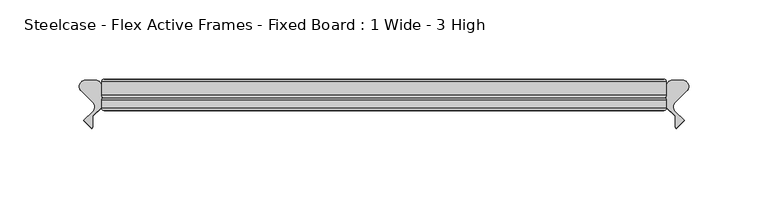
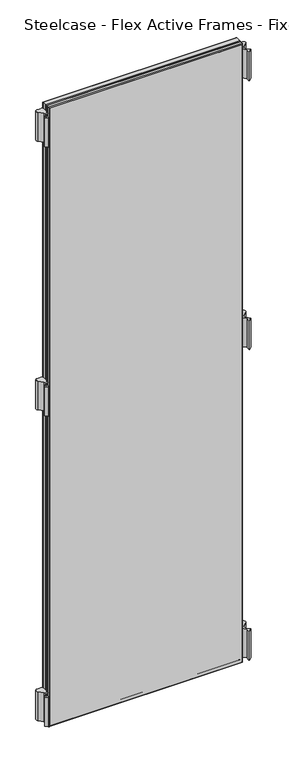
"""IFC4 building model written with IfcOpenShell, lengths in millimetres: furniture geometry, Steelcase - Flex Active Frames - Fixed Board : 1 Wide - 3 High."""

from ifc_helpers import new_model, si_unit, point, frame, frame_2d, origin, place, context, project, spatial, polyline, circle_curve, ellipse_curve, trimmed, segment, composite_curve, outline, extrude, source, transform, mapped, element, save
from ifc_brep_helpers import plane_surface, cylinder_surface, advanced_brep


def steelcase_flex_active_frames_fixed_board_1_wide_3_high_3846b007(model_context):
    return source(origin(), model_context, "Body", "SolidModel", [
        extrude(outline(composite_curve([segment(polyline([(369.0031146, 12.5554375), (361.4668356, 5.0296817)]), True, "CONTINUOUS"), segment(trimmed(circle_curve(frame_2d((364.1590296, 2.3337233)), 3.81), [point((361.4668356, 5.0296817))], [point((361.4203075, -0.3149559))], True, "CARTESIAN"), True, "CONTINUOUS"), segment(polyline([(361.4203075, -0.3149559), (367.1573362, -6.2470172), (362.2035681, -11.2027231), (361.4976034, -10.299411), (361.4976034, -3.4250486), (355.9952443, 2.0686095), (355.9952443, 15.2513873)]), True, "CONTINUOUS"), segment(trimmed(circle_curve(frame_2d((359.8052443, 15.2513873)), 3.81), [point((355.9952443, 15.2513873))], [point((359.8052393, 19.0613873))], False, "CARTESIAN"), True, "CONTINUOUS"), segment(polyline([(359.8052393, 19.0613873), (366.3109156, 19.0613959)]), True, "CONTINUOUS"), segment(trimmed(circle_curve(frame_2d((366.3109206, 15.2513959)), 3.81), [point((366.3109156, 19.0613959))], [point((369.0031146, 12.5554375))], False, "CARTESIAN"), True, "CONTINUOUS")], self_intersect=False)), frame((0.0, 0.0, 611.4997871), z_axis=(0.0, 0.0, 1.0), x_axis=(1.0, 0.0, 0.0)), (0.0, 0.0, 1.0), 55.9983261),
        extrude(outline(composite_curve([segment(polyline([(369.0031146, 12.5554375), (361.4668356, 5.0296817)]), True, "CONTINUOUS"), segment(trimmed(circle_curve(frame_2d((364.1590296, 2.3337233)), 3.81), [point((361.4668356, 5.0296817))], [point((361.4203075, -0.3149559))], True, "CARTESIAN"), True, "CONTINUOUS"), segment(polyline([(361.4203075, -0.3149559), (367.1573362, -6.2470172), (362.2035681, -11.2027231), (361.4976034, -10.299411), (361.4976034, -3.4250486), (355.9952443, 2.0686095), (355.9952443, 15.2513873)]), True, "CONTINUOUS"), segment(trimmed(circle_curve(frame_2d((359.8052443, 15.2513873)), 3.81), [point((355.9952443, 15.2513873))], [point((359.8052393, 19.0613873))], False, "CARTESIAN"), True, "CONTINUOUS"), segment(polyline([(359.8052393, 19.0613873), (366.3109156, 19.0613959)]), True, "CONTINUOUS"), segment(trimmed(circle_curve(frame_2d((366.3109206, 15.2513959)), 3.81), [point((366.3109156, 19.0613959))], [point((369.0031146, 12.5554375))], False, "CARTESIAN"), True, "CONTINUOUS")], self_intersect=False)), frame((0.0, 0.0, 9.5000015), z_axis=(0.0, 0.0, 1.0), x_axis=(1.0, 0.0, 0.0)), (0.0, 0.0, 1.0), 55.9983261),
        extrude(outline(composite_curve([segment(polyline([(369.0031146, 12.5554375), (361.4668356, 5.0296817)]), True, "CONTINUOUS"), segment(trimmed(circle_curve(frame_2d((364.1590296, 2.3337233)), 3.81), [point((361.4668356, 5.0296817))], [point((361.4203075, -0.3149559))], True, "CARTESIAN"), True, "CONTINUOUS"), segment(polyline([(361.4203075, -0.3149559), (367.1573362, -6.2470172), (362.2035681, -11.2027231), (361.4976034, -10.299411), (361.4976034, -3.4250486), (355.9952443, 2.0686095), (355.9952443, 15.2513873)]), True, "CONTINUOUS"), segment(trimmed(circle_curve(frame_2d((359.8052443, 15.2513873)), 3.81), [point((355.9952443, 15.2513873))], [point((359.8052393, 19.0613873))], False, "CARTESIAN"), True, "CONTINUOUS"), segment(polyline([(359.8052393, 19.0613873), (366.3109156, 19.0613959)]), True, "CONTINUOUS"), segment(trimmed(circle_curve(frame_2d((366.3109206, 15.2513959)), 3.81), [point((366.3109156, 19.0613959))], [point((369.0031146, 12.5554375))], False, "CARTESIAN"), True, "CONTINUOUS")], self_intersect=False)), frame((0.0, 0.0, 1132.5016098), z_axis=(0.0, 0.0, 1.0), x_axis=(1.0, 0.0, 0.0)), (0.0, 0.0, 1.0), 55.9983261),
        extrude(outline(composite_curve([segment(trimmed(circle_curve(frame_2d((-10.3156763, 15.2513959)), 3.81), [point((-13.0078703, 12.5554375))], [point((-10.3156713, 19.0613959))], False, "CARTESIAN"), True, "CONTINUOUS"), segment(polyline([(-10.3156713, 19.0613959), (-3.809995, 19.0613873)]), True, "CONTINUOUS"), segment(trimmed(circle_curve(frame_2d((-3.81, 15.2513873)), 3.81), [point((-3.809995, 19.0613873))], [point((0.0, 15.2513873))], False, "CARTESIAN"), True, "CONTINUOUS"), segment(polyline([(0.0, 15.2513873), (0.0, 2.0686095), (-5.5023592, -3.4250486), (-5.5023592, -10.299411), (-6.2083238, -11.2027231), (-11.1620919, -6.2470172), (-5.4250632, -0.3149559)]), True, "CONTINUOUS"), segment(trimmed(circle_curve(frame_2d((-8.1637853, 2.3337233)), 3.81), [point((-5.4250632, -0.3149559))], [point((-5.4715914, 5.0296817))], True, "CARTESIAN"), True, "CONTINUOUS"), segment(polyline([(-5.4715914, 5.0296817), (-13.0078703, 12.5554375)]), True, "CONTINUOUS")], self_intersect=False)), frame((0.0, 0.0, 611.4997871), z_axis=(0.0, 0.0, 1.0), x_axis=(1.0, 0.0, 0.0)), (0.0, 0.0, 1.0), 55.9983261),
        extrude(outline(composite_curve([segment(trimmed(circle_curve(frame_2d((-10.3156763, 15.2513959)), 3.81), [point((-13.0078703, 12.5554375))], [point((-10.3156713, 19.0613959))], False, "CARTESIAN"), True, "CONTINUOUS"), segment(polyline([(-10.3156713, 19.0613959), (-3.809995, 19.0613873)]), True, "CONTINUOUS"), segment(trimmed(circle_curve(frame_2d((-3.81, 15.2513873)), 3.81), [point((-3.809995, 19.0613873))], [point((0.0, 15.2513873))], False, "CARTESIAN"), True, "CONTINUOUS"), segment(polyline([(0.0, 15.2513873), (0.0, 2.0686095), (-5.5023592, -3.4250486), (-5.5023592, -10.299411), (-6.2083238, -11.2027231), (-11.1620919, -6.2470172), (-5.4250632, -0.3149559)]), True, "CONTINUOUS"), segment(trimmed(circle_curve(frame_2d((-8.1637853, 2.3337233)), 3.81), [point((-5.4250632, -0.3149559))], [point((-5.4715914, 5.0296817))], True, "CARTESIAN"), True, "CONTINUOUS"), segment(polyline([(-5.4715914, 5.0296817), (-13.0078703, 12.5554375)]), True, "CONTINUOUS")], self_intersect=False)), frame((0.0, 0.0, 9.5000015), z_axis=(0.0, 0.0, 1.0), x_axis=(1.0, 0.0, 0.0)), (0.0, 0.0, 1.0), 55.9983261),
        extrude(outline(composite_curve([segment(trimmed(circle_curve(frame_2d((-10.3156763, 15.2513959)), 3.81), [point((-13.0078703, 12.5554375))], [point((-10.3156713, 19.0613959))], False, "CARTESIAN"), True, "CONTINUOUS"), segment(polyline([(-10.3156713, 19.0613959), (-3.809995, 19.0613873)]), True, "CONTINUOUS"), segment(trimmed(circle_curve(frame_2d((-3.81, 15.2513873)), 3.81), [point((-3.809995, 19.0613873))], [point((0.0, 15.2513873))], False, "CARTESIAN"), True, "CONTINUOUS"), segment(polyline([(0.0, 15.2513873), (0.0, 2.0686095), (-5.5023592, -3.4250486), (-5.5023592, -10.299411), (-6.2083238, -11.2027231), (-11.1620919, -6.2470172), (-5.4250632, -0.3149559)]), True, "CONTINUOUS"), segment(trimmed(circle_curve(frame_2d((-8.1637853, 2.3337233)), 3.81), [point((-5.4250632, -0.3149559))], [point((-5.4715914, 5.0296817))], True, "CARTESIAN"), True, "CONTINUOUS"), segment(polyline([(-5.4715914, 5.0296817), (-13.0078703, 12.5554375)]), True, "CONTINUOUS")], self_intersect=False)), frame((0.0, 0.0, 1132.5016098), z_axis=(0.0, 0.0, 1.0), x_axis=(1.0, 0.0, 0.0)), (0.0, 0.0, 1.0), 55.9983261),
        extrude(outline(polyline([(354.4952389, 19.7016999), (354.4952389, 8.0000171), (1.5000053, 8.0000171), (1.5000053, 19.7016999), (354.4952389, 19.7016999)])), frame((0.0, 0.0, 1.5000053), z_axis=(0.0, 0.0, 1.0), x_axis=(1.0, 0.0, 0.0)), (0.0, 0.0, 1.0), 1196.9999985),
        advanced_brep(
        [(0.0, 9.5000224, 1200.0000092), (0.0, 9.5000224, 0.0), (1.5000053, 8.0000171, 1.5000053), (1.5000053, 8.0000171, 1198.5000038), (0.0, 18.2016946, 1200.0000092), (0.0, 18.2016946, 0.0), (1.5000053, 19.7016999, 1.5000053), (1.5000053, 19.7016999, 1198.5000038), (355.9952443, 9.5000224, 0.0), (354.4952389, 8.0000171, 1.5000053), (355.9952443, 18.2016946, 0.0), (354.4952389, 19.7016999, 1.5000053), (355.9952443, 9.5000224, 1200.0000092), (354.4952389, 8.0000171, 1198.5000038), (355.9952443, 18.2016946, 1200.0000092), (354.4952389, 19.7016999, 1198.5000038)],
        [
            (0, 1),
            (1, 2, ellipse_curve(frame((1.5000053, 9.5000224, 1.5000053), z_axis=(-0.7071067811865475, 0.0, 0.7071067811865475), x_axis=(0.7071067811865474, 0.0, 0.7071067811865476)), 2.1213279, 1.5000053)),
            (2, 3),
            (3, 0, ellipse_curve(frame((1.5000053, 9.5000224, 1198.5000038), z_axis=(-0.7071067811865475, 0.0, -0.7071067811865475), x_axis=(-0.7071067811865474, 0.0, 0.7071067811865476)), 2.1213279, 1.5000053)),
            (4, 5),
            (5, 1),
            (0, 4),
            (2, 6),
            (6, 7),
            (7, 3),
            (1, 8),
            (8, 9, ellipse_curve(frame((354.4952389, 9.5000224, 1.5000053), z_axis=(-0.7071067811865475, 0.0, -0.7071067811865475), x_axis=(-0.7071067811865476, 0.0, 0.7071067811865474)), 2.1213279, 1.5000053)),
            (9, 2),
            (5, 10),
            (10, 8),
            (9, 11),
            (11, 6),
            (8, 12),
            (12, 13, ellipse_curve(frame((354.4952389, 9.5000224, 1198.5000038), z_axis=(0.7071067811865475, 0.0, -0.7071067811865475), x_axis=(-0.7071067811865474, 0.0, -0.7071067811865476)), 2.1213279, 1.5000053)),
            (13, 9),
            (10, 14),
            (14, 12),
            (13, 15),
            (15, 11),
            (12, 0),
            (3, 13),
            (14, 4),
            (7, 15),
            (6, 5, ellipse_curve(frame((1.5000053, 18.2016946, 1.5000053), z_axis=(-0.7071067811865475, 0.0, 0.7071067811865475), x_axis=(0.7071067811865474, 0.0, 0.7071067811865476)), 2.1213279, 1.5000053)),
            (4, 7, ellipse_curve(frame((1.5000053, 18.2016946, 1198.5000038), z_axis=(-0.7071067811865475, 0.0, -0.7071067811865475), x_axis=(-0.7071067811865474, 0.0, 0.7071067811865476)), 2.1213279, 1.5000053)),
            (11, 10, ellipse_curve(frame((354.4952389, 18.2016946, 1.5000053), z_axis=(-0.7071067811865475, 0.0, -0.7071067811865475), x_axis=(-0.7071067811865476, 0.0, 0.7071067811865474)), 2.1213279, 1.5000053)),
            (15, 14, ellipse_curve(frame((354.4952389, 18.2016946, 1198.5000038), z_axis=(0.7071067811865475, 0.0, -0.7071067811865475), x_axis=(-0.7071067811865474, 0.0, -0.7071067811865476)), 2.1213279, 1.5000053)),
        ],
        [
            cylinder_surface(frame((1.5000053, 9.5000224, 1200.0000092), z_axis=(0.0, 0.0, 1.0), x_axis=(1.0, 0.0, 0.0)), 1.5000053),
            plane_surface(frame((0.0, 9.5000224, 1200.0000092), z_axis=(-1.0, 0.0, 0.0), x_axis=(0.0, 0.0, -1.0))),
            plane_surface(frame((1.5000053, 19.7016999, 1198.5000038), z_axis=(1.0, 0.0, 0.0), x_axis=(0.0, 0.0, -1.0))),
            cylinder_surface(frame((0.0, 9.5000224, 1.5000053), z_axis=(-1.0, 0.0, 0.0), x_axis=(0.0, 0.0, 1.0)), 1.5000053),
            plane_surface(frame((0.0, 9.5000224, 0.0), z_axis=(0.0, 0.0, -1.0), x_axis=(1.0, 0.0, 0.0))),
            plane_surface(frame((1.5000053, 19.7016999, 1.5000053), z_axis=(0.0, 0.0, 1.0), x_axis=(1.0, 0.0, 0.0))),
            cylinder_surface(frame((354.4952389, 9.5000224, 0.0), z_axis=(0.0, 0.0, -1.0), x_axis=(-1.0, 0.0, 0.0)), 1.5000053),
            plane_surface(frame((355.9952443, 9.5000224, 0.0), z_axis=(1.0, 0.0, 0.0), x_axis=(0.0, 0.0, 1.0))),
            plane_surface(frame((354.4952389, 19.7016999, 1.5000053), z_axis=(-1.0, 0.0, 0.0), x_axis=(0.0, 0.0, 1.0))),
            cylinder_surface(frame((355.9952443, 9.5000224, 1198.5000038), z_axis=(1.0, 0.0, 0.0), x_axis=(0.0, 0.0, -1.0)), 1.5000053),
            plane_surface(frame((355.9952443, 9.5000224, 1200.0000092), z_axis=(0.0, 0.0, 1.0), x_axis=(-1.0, 0.0, 0.0))),
            plane_surface(frame((354.4952389, 19.7016999, 1198.5000038), z_axis=(0.0, 0.0, -1.0), x_axis=(-1.0, 0.0, 0.0))),
            cylinder_surface(frame((1.5000053, 18.2016946, 1200.0000092), z_axis=(0.0, 0.0, 1.0), x_axis=(1.0, 0.0, 0.0)), 1.5000053),
            cylinder_surface(frame((0.0, 18.2016946, 1.5000053), z_axis=(-1.0, 0.0, 0.0), x_axis=(0.0, 0.0, 1.0)), 1.5000053),
            cylinder_surface(frame((354.4952389, 18.2016946, 0.0), z_axis=(0.0, 0.0, -1.0), x_axis=(-1.0, 0.0, 0.0)), 1.5000053),
            cylinder_surface(frame((355.9952443, 18.2016946, 1198.5000038), z_axis=(1.0, 0.0, 0.0), x_axis=(0.0, 0.0, -1.0)), 1.5000053),
        ],
        [
            (0, [[1, 2, 3, 4]]),
            (1, [[5, 6, -1, 7]]),
            (2, [[-3, 8, 9, 10]]),
            (3, [[11, 12, 13, -2]]),
            (4, [[14, 15, -11, -6]]),
            (5, [[-13, 16, 17, -8]]),
            (6, [[18, 19, 20, -12]]),
            (7, [[21, 22, -18, -15]]),
            (8, [[-20, 23, 24, -16]]),
            (9, [[25, -4, 26, -19]]),
            (10, [[27, -7, -25, -22]]),
            (11, [[-26, -10, 28, -23]]),
            (12, [[-9, 29, -5, 30]]),
            (13, [[-17, 31, -14, -29]]),
            (14, [[-24, 32, -21, -31]]),
            (15, [[-28, -30, -27, -32]]),
        ],
    ),
        extrude(outline(polyline([(354.4952389, 8.0000171), (354.4952389, 0.0), (1.5000053, 0.0), (1.5000053, 8.0000171), (354.4952389, 8.0000171)])), frame((0.0, 0.0, 1.5000053), z_axis=(0.0, 0.0, 1.0), x_axis=(1.0, 0.0, 0.0)), (0.0, 0.0, 1.0), 1196.9999985),
        advanced_brep(
        [(0.0, 1.5000053, 1200.0000092), (0.0, 1.5000053, 0.0), (1.5000053, 0.0, 1.5000053), (1.5000053, 0.0, 1198.5000038), (0.0, 6.5000117, 1200.0000092), (0.0, 6.5000117, 0.0), (1.5000053, 8.0000171, 1198.5000038), (1.5000053, 8.0000171, 1.5000053), (355.9952443, 1.5000053, 0.0), (354.4952389, 0.0, 1.5000053), (355.9952443, 6.5000117, 0.0), (354.4952389, 8.0000171, 1.5000053), (355.9952443, 1.5000053, 1200.0000092), (354.4952389, 0.0, 1198.5000038), (355.9952443, 6.5000117, 1200.0000092), (354.4952389, 8.0000171, 1198.5000038)],
        [
            (0, 1),
            (1, 2, ellipse_curve(frame((1.5000053, 1.5000053, 1.5000053), z_axis=(-0.7071067811865475, 0.0, 0.7071067811865475), x_axis=(0.7071067811865474, 0.0, 0.7071067811865476)), 2.1213279, 1.5000053)),
            (2, 3),
            (3, 0, ellipse_curve(frame((1.5000053, 1.5000053, 1198.5000038), z_axis=(-0.7071067811865475, 0.0, -0.7071067811865475), x_axis=(-0.7071067811865474, 0.0, 0.7071067811865476)), 2.1213279, 1.5000053)),
            (4, 5),
            (5, 1),
            (0, 4),
            (6, 7),
            (7, 5, ellipse_curve(frame((1.5000053, 6.5000117, 1.5000053), z_axis=(-0.7071067811865475, 0.0, 0.7071067811865475), x_axis=(0.7071067811865474, 0.0, 0.7071067811865476)), 2.1213279, 1.5000053)),
            (4, 6, ellipse_curve(frame((1.5000053, 6.5000117, 1198.5000038), z_axis=(-0.7071067811865475, 0.0, -0.7071067811865475), x_axis=(-0.7071067811865474, 0.0, 0.7071067811865476)), 2.1213279, 1.5000053)),
            (2, 7),
            (6, 3),
            (1, 8),
            (8, 9, ellipse_curve(frame((354.4952389, 1.5000053, 1.5000053), z_axis=(-0.7071067811865475, 0.0, -0.7071067811865475), x_axis=(-0.7071067811865476, 0.0, 0.7071067811865474)), 2.1213279, 1.5000053)),
            (9, 2),
            (5, 10),
            (10, 8),
            (7, 11),
            (11, 10, ellipse_curve(frame((354.4952389, 6.5000117, 1.5000053), z_axis=(-0.7071067811865475, 0.0, -0.7071067811865475), x_axis=(-0.7071067811865476, 0.0, 0.7071067811865474)), 2.1213279, 1.5000053)),
            (9, 11),
            (8, 12),
            (12, 13, ellipse_curve(frame((354.4952389, 1.5000053, 1198.5000038), z_axis=(0.7071067811865475, 0.0, -0.7071067811865475), x_axis=(-0.7071067811865474, 0.0, -0.7071067811865476)), 2.1213279, 1.5000053)),
            (13, 9),
            (10, 14),
            (14, 12),
            (11, 15),
            (15, 14, ellipse_curve(frame((354.4952389, 6.5000117, 1198.5000038), z_axis=(0.7071067811865475, 0.0, -0.7071067811865475), x_axis=(-0.7071067811865474, 0.0, -0.7071067811865476)), 2.1213279, 1.5000053)),
            (13, 15),
            (12, 0),
            (3, 13),
            (14, 4),
            (15, 6),
        ],
        [
            cylinder_surface(frame((1.5000053, 1.5000053, 1200.0000092), z_axis=(0.0, 0.0, 1.0), x_axis=(1.0, 0.0, 0.0)), 1.5000053),
            plane_surface(frame((0.0, 1.5000053, 1200.0000092), z_axis=(-1.0, 0.0, 0.0), x_axis=(0.0, 0.0, -1.0))),
            cylinder_surface(frame((1.5000053, 6.5000117, 1200.0000092), z_axis=(0.0, 0.0, 1.0), x_axis=(1.0, 0.0, 0.0)), 1.5000053),
            plane_surface(frame((1.5000053, 8.0000171, 1198.5000038), z_axis=(1.0, 0.0, 0.0), x_axis=(0.0, 0.0, -1.0))),
            cylinder_surface(frame((0.0, 1.5000053, 1.5000053), z_axis=(-1.0, 0.0, 0.0), x_axis=(0.0, 0.0, 1.0)), 1.5000053),
            plane_surface(frame((0.0, 1.5000053, 0.0), z_axis=(0.0, 0.0, -1.0), x_axis=(1.0, 0.0, 0.0))),
            cylinder_surface(frame((0.0, 6.5000117, 1.5000053), z_axis=(-1.0, 0.0, 0.0), x_axis=(0.0, 0.0, 1.0)), 1.5000053),
            plane_surface(frame((1.5000053, 8.0000171, 1.5000053), z_axis=(0.0, 0.0, 1.0), x_axis=(1.0, 0.0, 0.0))),
            cylinder_surface(frame((354.4952389, 1.5000053, 0.0), z_axis=(0.0, 0.0, -1.0), x_axis=(-1.0, 0.0, 0.0)), 1.5000053),
            plane_surface(frame((355.9952443, 1.5000053, 0.0), z_axis=(1.0, 0.0, 0.0), x_axis=(0.0, 0.0, 1.0))),
            cylinder_surface(frame((354.4952389, 6.5000117, 0.0), z_axis=(0.0, 0.0, -1.0), x_axis=(-1.0, 0.0, 0.0)), 1.5000053),
            plane_surface(frame((354.4952389, 8.0000171, 1.5000053), z_axis=(-1.0, 0.0, 0.0), x_axis=(0.0, 0.0, 1.0))),
            cylinder_surface(frame((355.9952443, 1.5000053, 1198.5000038), z_axis=(1.0, 0.0, 0.0), x_axis=(0.0, 0.0, -1.0)), 1.5000053),
            plane_surface(frame((355.9952443, 1.5000053, 1200.0000092), z_axis=(0.0, 0.0, 1.0), x_axis=(-1.0, 0.0, 0.0))),
            cylinder_surface(frame((355.9952443, 6.5000117, 1198.5000038), z_axis=(1.0, 0.0, 0.0), x_axis=(0.0, 0.0, -1.0)), 1.5000053),
            plane_surface(frame((354.4952389, 8.0000171, 1198.5000038), z_axis=(0.0, 0.0, -1.0), x_axis=(-1.0, 0.0, 0.0))),
        ],
        [
            (0, [[1, 2, 3, 4]]),
            (1, [[5, 6, -1, 7]]),
            (2, [[8, 9, -5, 10]]),
            (3, [[-3, 11, -8, 12]]),
            (4, [[13, 14, 15, -2]]),
            (5, [[16, 17, -13, -6]]),
            (6, [[18, 19, -16, -9]]),
            (7, [[-15, 20, -18, -11]]),
            (8, [[21, 22, 23, -14]]),
            (9, [[24, 25, -21, -17]]),
            (10, [[26, 27, -24, -19]]),
            (11, [[-23, 28, -26, -20]]),
            (12, [[29, -4, 30, -22]]),
            (13, [[31, -7, -29, -25]]),
            (14, [[32, -10, -31, -27]]),
            (15, [[-30, -12, -32, -28]]),
        ],
    ),
    ])


if __name__ == "__main__":
    model = new_model("IFC4")
    model_context = context("Model", 3, world=origin())
    ifc_project = project(units=[si_unit("LENGTHUNIT", "METRE", prefix="MILLI")], contexts=[model_context])
    site = spatial("IfcSite", under=ifc_project)
    building = spatial("IfcBuilding", under=site)
    placement = place(None, origin())
    steelcase_flex_active_frames_fixed_board_1_wide_3_high_shape = steelcase_flex_active_frames_fixed_board_1_wide_3_high_3846b007(model_context)
    element("IfcFurniture", 1, ObjectType="Steelcase - Flex Active Frames - Fixed Board : 1 Wide - 3 High", at=placement, inside=building, context=model_context, shape_type="MappedRepresentation", body=[
        mapped(steelcase_flex_active_frames_fixed_board_1_wide_3_high_shape, transform((0.0, 0.0, 0.0), x_axis=(1.0, 0.0, 0.0), y_axis=(0.0, 1.0, 0.0), z_axis=(0.0, 0.0, 1.0))),
    ])
    save(model, "model.ifc")
